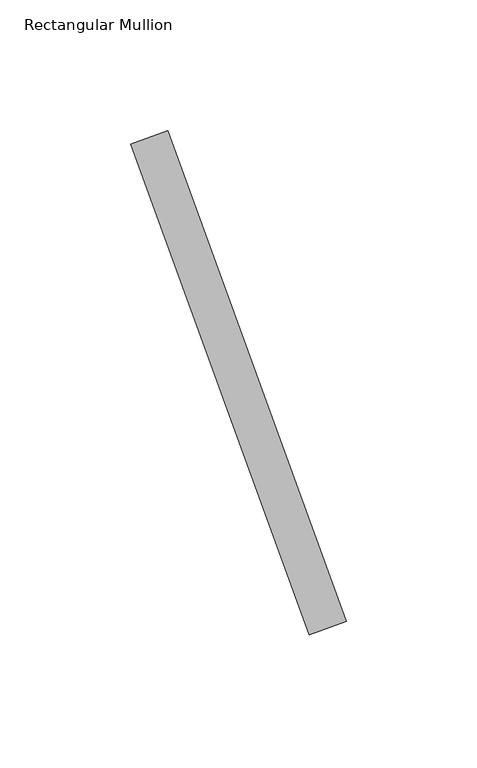
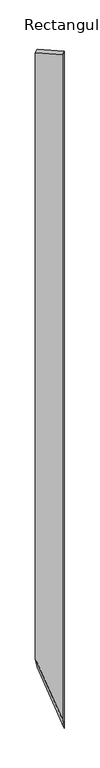
"""IFC4 building model written with IfcOpenShell, lengths in millimetres: member geometry, Rectangular Mullion."""

from ifc_helpers import new_model, si_unit, origin, place, context, project, spatial, faceted_brep, source, transform, mapped, element, save


def rectangular_mullion_a287888d(model_context):
    return source(origin(), model_context, "Body", "Brep", [
        faceted_brep([(17.193429, -47.2385578, 19.1320878), (85.5974576, -235.177082, 95.2490676), (85.5974576, -235.177082, -4563.666033), (17.193429, -47.2385578, -4234.2071354), (71.5020683, -240.3073841, 79.5643413), (3.0980396, -52.36886, 3.4473616), (3.0980396, -52.36886, -4166.3185693), (71.5020683, -240.3073841, -4495.7774669)], [[[0, 1, 2, 3]], [[4, 5, 6, 7]], [[1, 4, 7, 2]], [[5, 0, 3, 6]], [[5, 4, 1, 0]], [[6, 3, 2, 7]]]),
    ])


if __name__ == "__main__":
    model = new_model("IFC4")
    model_context = context("Model", 3, world=origin())
    ifc_project = project(units=[si_unit("LENGTHUNIT", "METRE", prefix="MILLI")], contexts=[model_context])
    site = spatial("IfcSite", under=ifc_project)
    building = spatial("IfcBuilding", under=site)
    placement = place(None, origin())
    rectangular_mullion_shape = rectangular_mullion_a287888d(model_context)
    element("IfcMember", 1, ObjectType="Rectangular Mullion", at=placement, inside=building, context=model_context, shape_type="MappedRepresentation", body=[
        mapped(rectangular_mullion_shape, transform((0.0, 0.0, 0.0), x_axis=(1.0, 0.0, 0.0), y_axis=(0.0, 1.0, 0.0), z_axis=(0.0, 0.0, 1.0))),
    ])
    save(model, "model.ifc")
